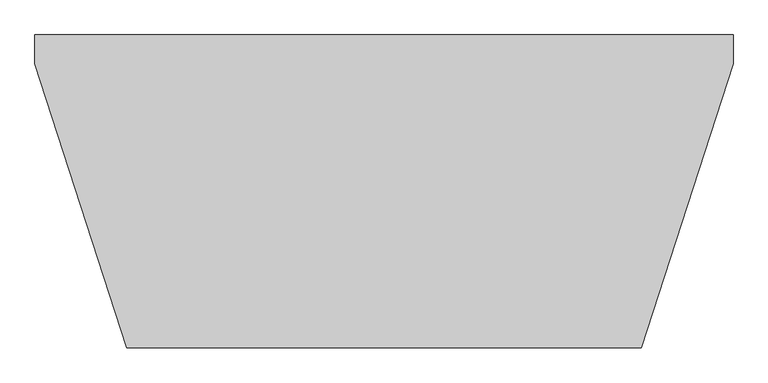
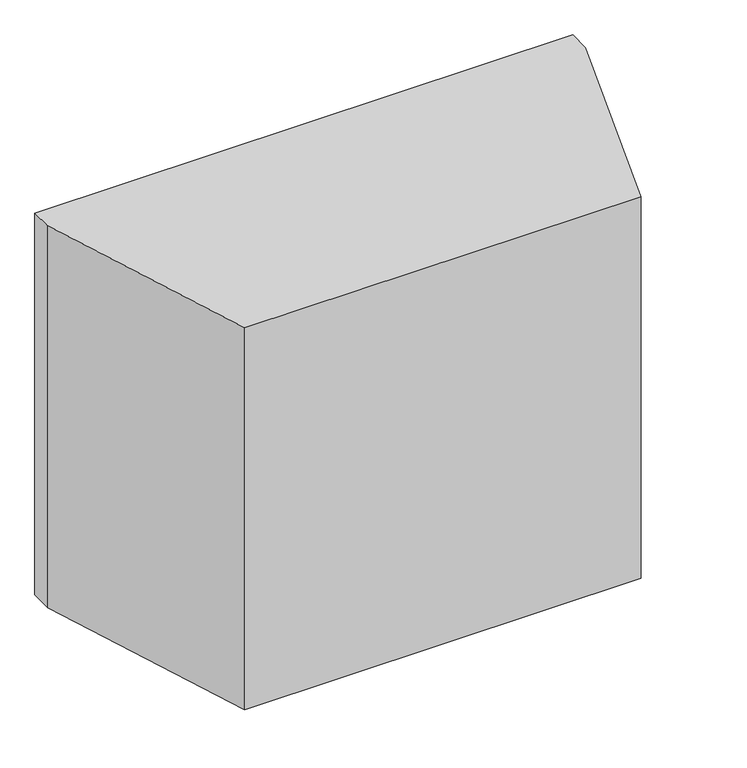
"""IFC4 building model written with IfcOpenShell, lengths in millimetres: proxy geometry."""

import ifcopenshell
import ifcopenshell.guid

model = None  # the IFC model being written
_history = None  # IfcOwnerHistory: only IFC2X3 demands one
_inside = {}  # id of a spatial element -> (the spatial element, [elements in it])
_under = {}  # id of a project, library or spatial element -> (it, [spatial elements below it])
_declared = {}  # id of a project -> (the project, [libraries it declares])
_typed = {}  # id of a type object -> (the type object, [elements of that type])
_made_of = {}  # id of a material, layer set ... -> (it, [elements and type objects made of it])


def new_model(schema):
    """Start an empty IFC model of exactly this schema.

    Asked for "IFC4X3", IfcOpenShell would pick the latest addendum, in which some entities
    have other attributes; the version numbers below select the first issue.
    IFC2X3 requires an IfcOwnerHistory on every rooted entity: one is made here for all.
    """
    global model, _history
    if schema == "IFC4X3":
        model = ifcopenshell.file(schema_version=(4, 3, 0, 0))
    else:
        model = ifcopenshell.file(schema=schema)
    _inside.clear()
    _under.clear()
    _declared.clear()
    _typed.clear()
    _made_of.clear()
    _history = None
    if model.schema == "IFC2X3":
        org = make("IfcOrganization", Name="unknown")
        user = make(
            "IfcPersonAndOrganization",
            ThePerson=make("IfcPerson", FamilyName="unknown"),
            TheOrganization=org,
        )
        app = make(
            "IfcApplication",
            ApplicationDeveloper=org,
            Version="unknown",
            ApplicationFullName="unknown",
            ApplicationIdentifier="unknown",
        )
        _history = make(
            "IfcOwnerHistory",
            OwningUser=user,
            OwningApplication=app,
            ChangeAction="ADDED",
            CreationDate=0,
        )
    return model


def make(cls, **values):
    """One entity of the class cls with the attributes given. An attribute that is None is left unset."""
    return model.create_entity(
        cls, **{name: value for name, value in values.items() if value is not None}
    )


def rooted(cls, **values):
    """An entity with a GlobalId (a new one), such as an element, a storey or a relation."""
    return make(cls, GlobalId=ifcopenshell.guid.new(), OwnerHistory=_history, **values)


def si_unit(unit_type, name, prefix=None):
    """IfcSIUnit, for example si_unit("LENGTHUNIT", "METRE", prefix="MILLI")."""
    return make("IfcSIUnit", UnitType=unit_type, Prefix=prefix, Name=name)


def assignment(units):
    """IfcUnitAssignment: the units of a project."""
    return None if units is None else make("IfcUnitAssignment", Units=units)


def point(xyz):
    """IfcCartesianPoint."""
    return None if xyz is None else make("IfcCartesianPoint", Coordinates=xyz)


def direction(xyz):
    """IfcDirection."""
    return None if xyz is None else make("IfcDirection", DirectionRatios=xyz)


def frame(location, z_axis=None, x_axis=None):
    """IfcAxis2Placement3D, a coordinate frame: its origin and axes. An axis left out is left unset."""
    return make(
        "IfcAxis2Placement3D",
        Location=point(location),
        Axis=direction(z_axis),
        RefDirection=direction(x_axis),
    )


def origin():
    """The frame at (0, 0, 0) with its axes left unset."""
    return frame((0.0, 0.0, 0.0))


def place(relative_to, where):
    """IfcLocalPlacement: puts the frame where relative to a parent placement (None: the world)."""
    return make(
        "IfcLocalPlacement", PlacementRelTo=relative_to, RelativePlacement=where
    )


def context(
    kind, dimensions, precision=None, world=None, true_north=None, identifier=None
):
    """IfcGeometricRepresentationContext, for example the 3D "Model" context."""
    return make(
        "IfcGeometricRepresentationContext",
        ContextIdentifier=identifier,
        ContextType=kind,
        CoordinateSpaceDimension=dimensions,
        Precision=precision,
        WorldCoordinateSystem=world,
        TrueNorth=true_north,
    )


def project(units=None, contexts=None):
    """IfcProject with its units and contexts."""
    return rooted(
        "IfcProject",
        Name="project",
        RepresentationContexts=contexts,
        UnitsInContext=assignment(units),
    )


def spatial(cls, under=None, at=None, **own):
    """A site, building, storey or space (cls), placed at a placement, below another one or the project."""
    s = rooted(cls, ObjectPlacement=at, **own)
    if under is not None:
        _under.setdefault(under.id(), (under, []))[1].append(s)
    return s


def polyline(points):
    """IfcPolyline through the points."""
    return make("IfcPolyline", Points=[point(p) for p in points])


def outline(outer, holes=None, kind="AREA"):
    """IfcArbitraryClosedProfileDef: a profile drawn as a closed curve; with holes, ...WithVoids."""
    if holes is None:
        return make("IfcArbitraryClosedProfileDef", ProfileType=kind, OuterCurve=outer)
    return make(
        "IfcArbitraryProfileDefWithVoids",
        ProfileType=kind,
        OuterCurve=outer,
        InnerCurves=holes,
    )


def extrude(swept, where, along, depth):
    """IfcExtrudedAreaSolid: the profile swept, set in the frame where, extruded along a direction by depth."""
    return make(
        "IfcExtrudedAreaSolid",
        SweptArea=swept,
        Position=where,
        ExtrudedDirection=direction(along),
        Depth=depth,
    )


def faces_of(points, faces, orient=None, outer=None):
    """IfcFace entities. A face is a list of loops; a loop is a list of indices into points, from 0.

    orient and outer hold one flag for each loop. By default every Orientation is true, the
    first loop of a face is its IfcFaceOuterBound and the others are IfcFaceBound.
    """
    made = []
    for i, loops in enumerate(faces):
        bounds = []
        for j, loop in enumerate(loops):
            is_outer = j == 0 if outer is None else outer[i][j]
            bounds.append(
                make(
                    "IfcFaceOuterBound" if is_outer else "IfcFaceBound",
                    Bound=make("IfcPolyLoop", Polygon=[points[k] for k in loop]),
                    Orientation=True if orient is None else orient[i][j],
                )
            )
        made.append(make("IfcFace", Bounds=bounds))
    return made


def faceted_brep(points, faces, orient=None, outer=None, voids=None):
    """IfcFacetedBrep: a solid bounded by flat faces; with voids (closed shells), ...WithVoids."""
    shared = [point(p) for p in points]
    hull = make("IfcClosedShell", CfsFaces=faces_of(shared, faces, orient, outer))
    if voids is None:
        return make("IfcFacetedBrep", Outer=hull)
    return make(
        "IfcFacetedBrepWithVoids",
        Outer=hull,
        Voids=[
            make(cls, CfsFaces=faces_of(shared, fs, o, b)) for cls, fs, o, b in voids
        ],
    )


def shape(context_of_items, identifier, shape_type, items):
    """IfcShapeRepresentation: the items that make up one representation, for example the "Body"."""
    return make(
        "IfcShapeRepresentation",
        ContextOfItems=context_of_items,
        RepresentationIdentifier=identifier,
        RepresentationType=shape_type,
        Items=items,
    )


def source(mapping_origin, context_of_items, identifier, shape_type, items):
    """IfcRepresentationMap: a shape defined once, which mapped items show again and again."""
    return make(
        "IfcRepresentationMap",
        MappingOrigin=mapping_origin,
        MappedRepresentation=shape(context_of_items, identifier, shape_type, items),
    )


def transform(
    local_origin,
    x_axis=None,
    y_axis=None,
    z_axis=None,
    scale=None,
    scale2=None,
    scale3=None,
    uniform=True,
):
    """IfcCartesianTransformationOperator3D, or its non-uniform kind. x_axis, y_axis, z_axis: its Axis1, 2, 3."""
    if uniform:
        return make(
            "IfcCartesianTransformationOperator3D",
            Axis1=direction(x_axis),
            Axis2=direction(y_axis),
            LocalOrigin=point(local_origin),
            Scale=scale,
            Axis3=direction(z_axis),
        )
    return make(
        "IfcCartesianTransformationOperator3DnonUniform",
        Axis1=direction(x_axis),
        Axis2=direction(y_axis),
        LocalOrigin=point(local_origin),
        Scale=scale,
        Axis3=direction(z_axis),
        Scale2=scale2,
        Scale3=scale3,
    )


def mapped(mapping_source, mapping_target):
    """IfcMappedItem: shows the shape of a source again, moved by a transform."""
    return make(
        "IfcMappedItem", MappingSource=mapping_source, MappingTarget=mapping_target
    )


def made_of(thing, what):
    """Note that an element or type object is made of a material, layer set ...; save() writes the relation."""
    if what is not None:
        _made_of.setdefault(what.id(), (what, []))[1].append(thing)
    return thing


def element(
    cls,
    number,
    at=None,
    inside=None,
    cuts=None,
    type_object=None,
    material=None,
    context=None,
    identifier="Body",
    shape_type=None,
    held_by="IfcProductDefinitionShape",
    body=None,
    shapes=None,
    **own,
):
    """One element of the class cls, such as IfcWall. Its Tag is "e" and its number.

    at: its placement. inside: the storey or other place that contains it. cuts: it is an
    opening in that element (IfcRelVoidsElement). A single representation is given by context,
    identifier, shape_type and body (its items); several are given by shapes. held_by: the class
    of the entity that holds the representations. save() writes the other relations.
    """
    e = rooted(cls, Tag="e%d" % number, ObjectPlacement=at, **own)
    if body is not None:
        shapes = [shape(context, identifier, shape_type, body)]
    if shapes is not None:
        e.Representation = make(held_by, Representations=shapes)
    if inside is not None:
        _inside.setdefault(inside.id(), (inside, []))[1].append(e)
    if cuts is not None:
        rooted(
            "IfcRelVoidsElement", RelatingBuildingElement=cuts, RelatedOpeningElement=e
        )
    if type_object is not None:
        _typed.setdefault(type_object.id(), (type_object, []))[1].append(e)
    return made_of(e, material)


def aggregate(whole, parts):
    """IfcRelAggregates: a whole, such as a stair, and the parts it consists of."""
    return rooted("IfcRelAggregates", RelatingObject=whole, RelatedObjects=parts)


def save(model, path):
    """Write the relations noted so far, then the file.

    IfcRelAggregates (storeys below a building ...), IfcRelContainedInSpatialStructure (elements
    in a storey), IfcRelDefinesByType, IfcRelAssociatesMaterial and IfcRelDeclares: one each for
    every whole, place, type object, material and project.
    """
    for whole, parts in _under.values():
        aggregate(whole, parts)
    for where, things in _inside.values():
        rooted(
            "IfcRelContainedInSpatialStructure",
            RelatedElements=things,
            RelatingStructure=where,
        )
    for kind, things in _typed.values():
        rooted("IfcRelDefinesByType", RelatedObjects=things, RelatingType=kind)
    for what, things in _made_of.values():
        rooted("IfcRelAssociatesMaterial", RelatedObjects=things, RelatingMaterial=what)
    for by, libraries in _declared.values():
        rooted("IfcRelDeclares", RelatingContext=by, RelatedDefinitions=libraries)
    model.write(path)


def specialty_equipment_322ad540(model_context):
    return source(origin(), model_context, "Body", "SolidModel", [
        extrude(outline(polyline([(-415.2466879, -486.874274), (-421.6656106, -488.9521945), (-564.5270576, -47.6376255), (-558.1081349, -45.559705), (-415.2466879, -486.874274)])), frame((0.0, 0.0, 444.896875), z_axis=(0.0, 0.0, 1.0), x_axis=(1.0, 0.0, 0.0)), (0.0, 0.0, 1.0), 664.765625),
        extrude(outline(polyline([(530.1616977, -45.559705), (536.5806204, -47.6376255), (393.7939494, -488.7212033), (387.3750267, -486.6432828), (530.1616977, -45.559705)])), frame((0.0, 0.0, 444.5), z_axis=(0.0, 0.0, 1.0), x_axis=(1.0, 0.0, 0.0)), (0.0, 0.0, 1.0), 665.1625),
        extrude(outline(polyline([(389.1010618, -482.203125), (389.1010618, -488.95), (-417.047499, -488.95), (-417.047499, -482.203125), (389.1010618, -482.203125)])), frame((0.0, 0.0, 444.5), z_axis=(0.0, 0.0, 1.0), x_axis=(1.0, 0.0, 0.0)), (0.0, 0.0, 1.0), 665.1625),
        extrude(outline(polyline([(-417.047499, -482.6), (-558.4857186, -45.6819356), (530.5392814, -45.6819356), (389.1010618, -482.6), (-417.047499, -482.6)])), frame((0.0, 0.0, 438.15), z_axis=(0.0, 0.0, 1.0), x_axis=(1.0, 0.0, 0.0)), (0.0, 0.0, 1.0), 6.746875),
        faceted_brep([(595.6267814, 0.0, 1219.2), (-623.5732186, 0.0, 1219.2), (-623.5732186, -50.8, 1219.2), (-463.2357186, -546.1, 1219.2), (435.2892814, -546.1, 1219.2), (595.6267814, -50.8, 1219.2), (595.6267814, 0.0, 304.8), (595.6267814, -50.8, 304.8), (435.2892814, -546.1, 304.8), (-463.2357186, -546.1, 304.8), (-623.5732186, -50.8, 304.8), (-623.5732186, 0.0, 304.8), (-558.4857186, 0.0, 1109.6625), (-558.4857186, 0.0, 444.5), (530.5392814, 0.0, 444.5), (530.5392814, 0.0, 1109.6625), (530.5392814, -45.6819356, 1109.6625), (389.1010618, -482.6, 1109.6625), (-417.047499, -482.6, 1109.6625), (-558.4857186, -45.6819356, 1109.6625), (-558.4857186, -45.6819356, 444.5), (-417.047499, -482.6, 444.5), (389.1010618, -482.6, 444.5), (530.5392814, -45.6819356, 444.5)], [[[0, 1, 2, 3, 4, 5]], [[6, 7, 8, 9, 10, 11]], [[5, 7, 6, 0]], [[4, 8, 7, 5]], [[3, 9, 8, 4]], [[2, 10, 9, 3]], [[1, 11, 10, 2]], [[0, 6, 11, 1], [12, 13, 14, 15]], [[12, 15, 16, 17, 18, 19]], [[14, 13, 20, 21, 22, 23]], [[15, 14, 23, 16]], [[16, 23, 22, 17]], [[17, 22, 21, 18]], [[18, 21, 20, 19]], [[19, 20, 13, 12]]]),
    ])


if __name__ == "__main__":
    model = new_model("IFC4")
    model_context = context("Model", 3, world=origin())
    ifc_project = project(units=[si_unit("LENGTHUNIT", "METRE", prefix="MILLI")], contexts=[model_context])
    site = spatial("IfcSite", under=ifc_project)
    building = spatial("IfcBuilding", under=site)
    placement = place(None, origin())
    specialty_equipment_shape = specialty_equipment_322ad540(model_context)
    element("IfcBuildingElementProxy", 1, Name="Specialty Equipment", at=placement, inside=building, context=model_context, shape_type="MappedRepresentation", body=[
        mapped(specialty_equipment_shape, transform((0.0, 0.0, 0.0), x_axis=(1.0, 0.0, 0.0), y_axis=(0.0, 1.0, 0.0), z_axis=(0.0, 0.0, 1.0))),
    ])
    save(model, "model.ifc")
